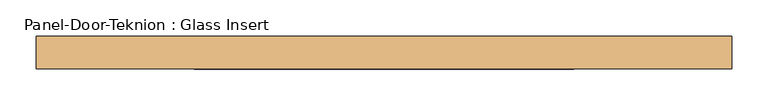
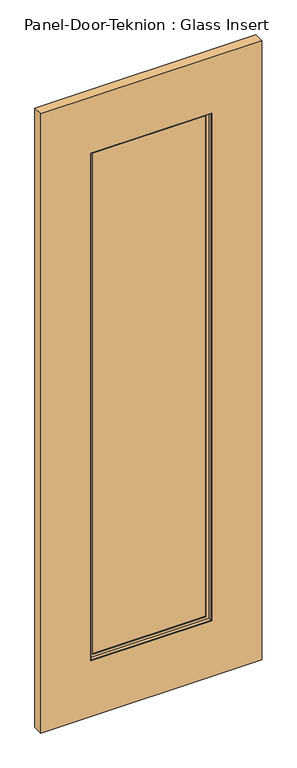
"""IFC4 building model written with IfcOpenShell, lengths in millimetres: door geometry, Panel-Door-Teknion : Glass Insert."""

import ifcopenshell
import ifcopenshell.guid

model = None  # the IFC model being written
_history = None  # IfcOwnerHistory: only IFC2X3 demands one
_inside = {}  # id of a spatial element -> (the spatial element, [elements in it])
_under = {}  # id of a project, library or spatial element -> (it, [spatial elements below it])
_declared = {}  # id of a project -> (the project, [libraries it declares])
_typed = {}  # id of a type object -> (the type object, [elements of that type])
_made_of = {}  # id of a material, layer set ... -> (it, [elements and type objects made of it])


def new_model(schema):
    """Start an empty IFC model of exactly this schema.

    Asked for "IFC4X3", IfcOpenShell would pick the latest addendum, in which some entities
    have other attributes; the version numbers below select the first issue.
    IFC2X3 requires an IfcOwnerHistory on every rooted entity: one is made here for all.
    """
    global model, _history
    if schema == "IFC4X3":
        model = ifcopenshell.file(schema_version=(4, 3, 0, 0))
    else:
        model = ifcopenshell.file(schema=schema)
    _inside.clear()
    _under.clear()
    _declared.clear()
    _typed.clear()
    _made_of.clear()
    _history = None
    if model.schema == "IFC2X3":
        org = make("IfcOrganization", Name="unknown")
        user = make(
            "IfcPersonAndOrganization",
            ThePerson=make("IfcPerson", FamilyName="unknown"),
            TheOrganization=org,
        )
        app = make(
            "IfcApplication",
            ApplicationDeveloper=org,
            Version="unknown",
            ApplicationFullName="unknown",
            ApplicationIdentifier="unknown",
        )
        _history = make(
            "IfcOwnerHistory",
            OwningUser=user,
            OwningApplication=app,
            ChangeAction="ADDED",
            CreationDate=0,
        )
    return model


def make(cls, **values):
    """One entity of the class cls with the attributes given. An attribute that is None is left unset."""
    return model.create_entity(
        cls, **{name: value for name, value in values.items() if value is not None}
    )


def rooted(cls, **values):
    """An entity with a GlobalId (a new one), such as an element, a storey or a relation."""
    return make(cls, GlobalId=ifcopenshell.guid.new(), OwnerHistory=_history, **values)


def si_unit(unit_type, name, prefix=None):
    """IfcSIUnit, for example si_unit("LENGTHUNIT", "METRE", prefix="MILLI")."""
    return make("IfcSIUnit", UnitType=unit_type, Prefix=prefix, Name=name)


def assignment(units):
    """IfcUnitAssignment: the units of a project."""
    return None if units is None else make("IfcUnitAssignment", Units=units)


def point(xyz):
    """IfcCartesianPoint."""
    return None if xyz is None else make("IfcCartesianPoint", Coordinates=xyz)


def direction(xyz):
    """IfcDirection."""
    return None if xyz is None else make("IfcDirection", DirectionRatios=xyz)


def frame(location, z_axis=None, x_axis=None):
    """IfcAxis2Placement3D, a coordinate frame: its origin and axes. An axis left out is left unset."""
    return make(
        "IfcAxis2Placement3D",
        Location=point(location),
        Axis=direction(z_axis),
        RefDirection=direction(x_axis),
    )


def origin():
    """The frame at (0, 0, 0) with its axes left unset."""
    return frame((0.0, 0.0, 0.0))


def place(relative_to, where):
    """IfcLocalPlacement: puts the frame where relative to a parent placement (None: the world)."""
    return make(
        "IfcLocalPlacement", PlacementRelTo=relative_to, RelativePlacement=where
    )


def context(
    kind, dimensions, precision=None, world=None, true_north=None, identifier=None
):
    """IfcGeometricRepresentationContext, for example the 3D "Model" context."""
    return make(
        "IfcGeometricRepresentationContext",
        ContextIdentifier=identifier,
        ContextType=kind,
        CoordinateSpaceDimension=dimensions,
        Precision=precision,
        WorldCoordinateSystem=world,
        TrueNorth=true_north,
    )


def project(units=None, contexts=None):
    """IfcProject with its units and contexts."""
    return rooted(
        "IfcProject",
        Name="project",
        RepresentationContexts=contexts,
        UnitsInContext=assignment(units),
    )


def spatial(cls, under=None, at=None, **own):
    """A site, building, storey or space (cls), placed at a placement, below another one or the project."""
    s = rooted(cls, ObjectPlacement=at, **own)
    if under is not None:
        _under.setdefault(under.id(), (under, []))[1].append(s)
    return s


def polyline(points):
    """IfcPolyline through the points."""
    return make("IfcPolyline", Points=[point(p) for p in points])


def outline(outer, holes=None, kind="AREA"):
    """IfcArbitraryClosedProfileDef: a profile drawn as a closed curve; with holes, ...WithVoids."""
    if holes is None:
        return make("IfcArbitraryClosedProfileDef", ProfileType=kind, OuterCurve=outer)
    return make(
        "IfcArbitraryProfileDefWithVoids",
        ProfileType=kind,
        OuterCurve=outer,
        InnerCurves=holes,
    )


def extrude(swept, where, along, depth):
    """IfcExtrudedAreaSolid: the profile swept, set in the frame where, extruded along a direction by depth."""
    return make(
        "IfcExtrudedAreaSolid",
        SweptArea=swept,
        Position=where,
        ExtrudedDirection=direction(along),
        Depth=depth,
    )


def faces_of(points, faces, orient=None, outer=None):
    """IfcFace entities. A face is a list of loops; a loop is a list of indices into points, from 0.

    orient and outer hold one flag for each loop. By default every Orientation is true, the
    first loop of a face is its IfcFaceOuterBound and the others are IfcFaceBound.
    """
    made = []
    for i, loops in enumerate(faces):
        bounds = []
        for j, loop in enumerate(loops):
            is_outer = j == 0 if outer is None else outer[i][j]
            bounds.append(
                make(
                    "IfcFaceOuterBound" if is_outer else "IfcFaceBound",
                    Bound=make("IfcPolyLoop", Polygon=[points[k] for k in loop]),
                    Orientation=True if orient is None else orient[i][j],
                )
            )
        made.append(make("IfcFace", Bounds=bounds))
    return made


def faceted_brep(points, faces, orient=None, outer=None, voids=None):
    """IfcFacetedBrep: a solid bounded by flat faces; with voids (closed shells), ...WithVoids."""
    shared = [point(p) for p in points]
    hull = make("IfcClosedShell", CfsFaces=faces_of(shared, faces, orient, outer))
    if voids is None:
        return make("IfcFacetedBrep", Outer=hull)
    return make(
        "IfcFacetedBrepWithVoids",
        Outer=hull,
        Voids=[
            make(cls, CfsFaces=faces_of(shared, fs, o, b)) for cls, fs, o, b in voids
        ],
    )


def shape(context_of_items, identifier, shape_type, items):
    """IfcShapeRepresentation: the items that make up one representation, for example the "Body"."""
    return make(
        "IfcShapeRepresentation",
        ContextOfItems=context_of_items,
        RepresentationIdentifier=identifier,
        RepresentationType=shape_type,
        Items=items,
    )


def source(mapping_origin, context_of_items, identifier, shape_type, items):
    """IfcRepresentationMap: a shape defined once, which mapped items show again and again."""
    return make(
        "IfcRepresentationMap",
        MappingOrigin=mapping_origin,
        MappedRepresentation=shape(context_of_items, identifier, shape_type, items),
    )


def transform(
    local_origin,
    x_axis=None,
    y_axis=None,
    z_axis=None,
    scale=None,
    scale2=None,
    scale3=None,
    uniform=True,
):
    """IfcCartesianTransformationOperator3D, or its non-uniform kind. x_axis, y_axis, z_axis: its Axis1, 2, 3."""
    if uniform:
        return make(
            "IfcCartesianTransformationOperator3D",
            Axis1=direction(x_axis),
            Axis2=direction(y_axis),
            LocalOrigin=point(local_origin),
            Scale=scale,
            Axis3=direction(z_axis),
        )
    return make(
        "IfcCartesianTransformationOperator3DnonUniform",
        Axis1=direction(x_axis),
        Axis2=direction(y_axis),
        LocalOrigin=point(local_origin),
        Scale=scale,
        Axis3=direction(z_axis),
        Scale2=scale2,
        Scale3=scale3,
    )


def mapped(mapping_source, mapping_target):
    """IfcMappedItem: shows the shape of a source again, moved by a transform."""
    return make(
        "IfcMappedItem", MappingSource=mapping_source, MappingTarget=mapping_target
    )


def made_of(thing, what):
    """Note that an element or type object is made of a material, layer set ...; save() writes the relation."""
    if what is not None:
        _made_of.setdefault(what.id(), (what, []))[1].append(thing)
    return thing


def element(
    cls,
    number,
    at=None,
    inside=None,
    cuts=None,
    type_object=None,
    material=None,
    context=None,
    identifier="Body",
    shape_type=None,
    held_by="IfcProductDefinitionShape",
    body=None,
    shapes=None,
    **own,
):
    """One element of the class cls, such as IfcWall. Its Tag is "e" and its number.

    at: its placement. inside: the storey or other place that contains it. cuts: it is an
    opening in that element (IfcRelVoidsElement). A single representation is given by context,
    identifier, shape_type and body (its items); several are given by shapes. held_by: the class
    of the entity that holds the representations. save() writes the other relations.
    """
    e = rooted(cls, Tag="e%d" % number, ObjectPlacement=at, **own)
    if body is not None:
        shapes = [shape(context, identifier, shape_type, body)]
    if shapes is not None:
        e.Representation = make(held_by, Representations=shapes)
    if inside is not None:
        _inside.setdefault(inside.id(), (inside, []))[1].append(e)
    if cuts is not None:
        rooted(
            "IfcRelVoidsElement", RelatingBuildingElement=cuts, RelatedOpeningElement=e
        )
    if type_object is not None:
        _typed.setdefault(type_object.id(), (type_object, []))[1].append(e)
    return made_of(e, material)


def aggregate(whole, parts):
    """IfcRelAggregates: a whole, such as a stair, and the parts it consists of."""
    return rooted("IfcRelAggregates", RelatingObject=whole, RelatedObjects=parts)


def save(model, path):
    """Write the relations noted so far, then the file.

    IfcRelAggregates (storeys below a building ...), IfcRelContainedInSpatialStructure (elements
    in a storey), IfcRelDefinesByType, IfcRelAssociatesMaterial and IfcRelDeclares: one each for
    every whole, place, type object, material and project.
    """
    for whole, parts in _under.values():
        aggregate(whole, parts)
    for where, things in _inside.values():
        rooted(
            "IfcRelContainedInSpatialStructure",
            RelatedElements=things,
            RelatingStructure=where,
        )
    for kind, things in _typed.values():
        rooted("IfcRelDefinesByType", RelatedObjects=things, RelatingType=kind)
    for what, things in _made_of.values():
        rooted("IfcRelAssociatesMaterial", RelatedObjects=things, RelatingMaterial=what)
    for by, libraries in _declared.values():
        rooted("IfcRelDeclares", RelatingContext=by, RelatedDefinitions=libraries)
    model.write(path)


def panel_door_teknion_glass_insert_d14ac338(model_context):
    return source(origin(), model_context, "Body", "SolidModel", [
        extrude(outline(polyline([(260.3301563, 3.175), (260.3301563, -3.175), (-260.3301562, -3.175), (-260.3301562, 3.175), (260.3301563, 3.175)])), frame((0.0, 0.0, 266.7), z_axis=(0.0, 0.0, 1.0), x_axis=(1.0, 0.0, 0.0)), (0.0, 0.0, 1.0), 2315.2025997),
        faceted_brep([(-244.4395773, -3.797467, 2566.0120207), (-244.4395773, -6.9755828, 2566.0120207), (-244.4395773, -6.9755828, 282.590579), (-244.4395773, -3.797467, 282.590579), (244.4395773, -6.9755828, 282.590579), (244.4395773, -3.797467, 282.590579), (257.1520405, -6.9755828, 269.8781158), (257.1520405, -6.9755828, 2578.7244839), (-257.1520405, -6.9755828, 2578.7244839), (-257.1520405, -6.9755828, 269.8781158), (244.4395773, -6.9755828, 2566.0120207), (244.4395773, -3.797467, 2566.0120207), (-260.3301562, -3.797467, 266.7), (-260.3301562, -3.797467, 2581.9025997), (260.3301563, -3.797467, 2581.9025997), (260.3301563, -3.797467, 266.7), (-260.3301562, -19.688046, 2581.9025997), (-260.3301562, -19.688046, 266.7), (260.3301563, -19.688046, 266.7), (260.3301563, -19.688046, 2581.9025997), (-257.1520405, -19.688046, 269.8781158), (-257.1520405, -19.688046, 2578.7244839), (257.1520405, -19.688046, 2578.7244839), (257.1520405, -19.688046, 269.8781158)], [[[0, 1, 2, 3]], [[3, 2, 4, 5]], [[6, 7, 8, 9], [2, 1, 10, 4]], [[5, 4, 10, 11]], [[12, 13, 14, 15], [5, 11, 0, 3]], [[16, 13, 12, 17]], [[17, 12, 15, 18]], [[18, 15, 14, 19]], [[18, 19, 16, 17], [20, 21, 22, 23]], [[8, 21, 20, 9]], [[9, 20, 23, 6]], [[6, 23, 22, 7]], [[11, 10, 1, 0]], [[19, 14, 13, 16]], [[7, 22, 21, 8]]]),
        faceted_brep([(-257.1520405, 19.688046, 2578.7244839), (-257.1520405, 6.9755828, 2578.7244839), (-257.1520405, 6.9755828, 269.8781158), (-257.1520405, 19.688046, 269.8781158), (257.1520405, 6.9755828, 269.8781158), (257.1520405, 19.688046, 269.8781158), (257.1520405, 6.9755828, 2578.7244839), (244.4395773, 6.9755828, 282.590579), (244.4395773, 6.9755828, 2566.0120207), (-244.4395773, 6.9755828, 2566.0120207), (-244.4395773, 6.9755828, 282.590579), (257.1520405, 19.688046, 2578.7244839), (-260.3301562, 19.688046, 266.7), (-260.3301562, 19.688046, 2581.9025997), (260.3301563, 19.688046, 2581.9025997), (260.3301563, 19.688046, 266.7), (-260.3301562, 3.797467, 2581.9025997), (-260.3301562, 3.797467, 266.7), (260.3301563, 3.797467, 266.7), (260.3301563, 3.797467, 2581.9025997), (-244.4395773, 3.797467, 282.590579), (-244.4395773, 3.797467, 2566.0120207), (244.4395773, 3.797467, 2566.0120207), (244.4395773, 3.797467, 282.590579)], [[[0, 1, 2, 3]], [[3, 2, 4, 5]], [[2, 1, 6, 4], [7, 8, 9, 10]], [[5, 4, 6, 11]], [[12, 13, 14, 15], [5, 11, 0, 3]], [[16, 13, 12, 17]], [[17, 12, 15, 18]], [[18, 15, 14, 19]], [[18, 19, 16, 17], [20, 21, 22, 23]], [[9, 21, 20, 10]], [[10, 20, 23, 7]], [[7, 23, 22, 8]], [[11, 6, 1, 0]], [[19, 14, 13, 16]], [[8, 22, 21, 9]]]),
        extrude(outline(polyline([(2835.9025997, 476.2301563), (2835.9025997, -476.2301562), (12.7, -476.2301562), (12.7, 476.2301563), (2835.9025997, 476.2301563)]), holes=[polyline([(2581.9025997, -260.3301562), (2581.9025997, 260.3301563), (266.7, 260.3301563), (266.7, -260.3301562), (2581.9025997, -260.3301562)])]), frame((0.0, -22.225, 0.0), z_axis=(0.0, 1.0, 0.0), x_axis=(0.0, 0.0, 1.0)), (0.0, 0.0, 1.0), 44.45),
    ])


if __name__ == "__main__":
    model = new_model("IFC4")
    model_context = context("Model", 3, world=origin())
    ifc_project = project(units=[si_unit("LENGTHUNIT", "METRE", prefix="MILLI")], contexts=[model_context])
    site = spatial("IfcSite", under=ifc_project)
    building = spatial("IfcBuilding", under=site)
    placement = place(None, origin())
    panel_door_teknion_glass_insert_shape = panel_door_teknion_glass_insert_d14ac338(model_context)
    element("IfcDoor", 1, ObjectType="Panel-Door-Teknion : Glass Insert", at=placement, inside=building, context=model_context, shape_type="MappedRepresentation", body=[
        mapped(panel_door_teknion_glass_insert_shape, transform((0.0, 0.0, 0.0), x_axis=(1.0, 0.0, 0.0), y_axis=(0.0, 1.0, 0.0), z_axis=(0.0, 0.0, 1.0))),
    ])
    save(model, "model.ifc")
